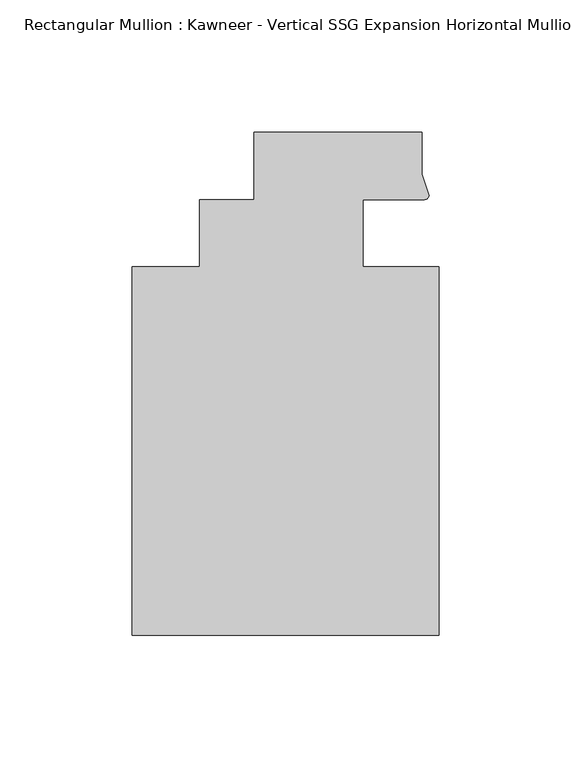
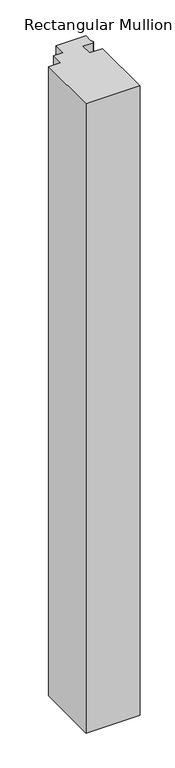
"""IFC4 building model written with IfcOpenShell, lengths in millimetres: member geometry."""

from ifc_helpers import new_model, si_unit, point, frame, frame_2d, origin, place, context, project, spatial, polyline, circle_curve, trimmed, segment, composite_curve, outline, extrude, source, transform, mapped, element, save


def member_84dd88c9(model_context):
    return source(origin(), model_context, "Body", "SweptSolid", [
        extrude(outline(composite_curve([segment(polyline([(48.2997293, 12.7000881), (25.0401592, 12.7000881), (25.0401592, -12.7), (53.615046, -12.7), (53.615046, -151.892), (-62.2957636, -151.892), (-62.2957636, -12.7), (-36.8958768, -12.7), (-36.8958768, 12.7), (-16.234954, 12.7), (-16.234954, 38.1), (47.265046, 38.1), (47.265046, 22.2250977), (49.9159011, 14.2884292)]), True, "CONTINUOUS"), segment(trimmed(circle_curve(frame_2d((48.2162832, 14.401412)), 1.703369), [point((49.9159011, 14.2884292))], [point((48.2997293, 12.7000881))], False, "CARTESIAN"), True, "CONTINUOUS")], self_intersect=False)), frame((0.0, 0.0, -1421.4016552), z_axis=(0.0, 0.0, 1.0), x_axis=(1.0, 0.0, 0.0)), (0.0, 0.0, 1.0), 1421.4016552),
    ])


if __name__ == "__main__":
    model = new_model("IFC4")
    model_context = context("Model", 3, world=origin())
    ifc_project = project(units=[si_unit("LENGTHUNIT", "METRE", prefix="MILLI")], contexts=[model_context])
    site = spatial("IfcSite", under=ifc_project)
    building = spatial("IfcBuilding", under=site)
    placement = place(None, origin())
    member_shape = member_84dd88c9(model_context)
    element("IfcMember", 1, ObjectType="Rectangular Mullion : Kawneer - Vertical SSG Expansion Horizontal Mullion - 7 1/2\"", at=placement, inside=building, context=model_context, shape_type="MappedRepresentation", body=[
        mapped(member_shape, transform((0.0, 0.0, 0.0), x_axis=(1.0, 0.0, 0.0), y_axis=(0.0, 1.0, 0.0), z_axis=(0.0, 0.0, 1.0))),
    ])
    save(model, "model.ifc")
